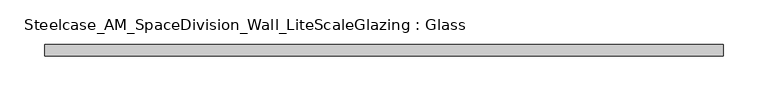
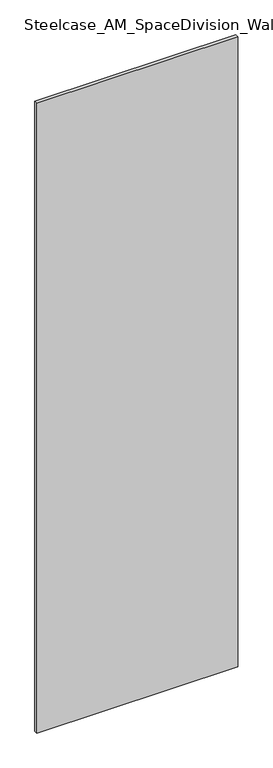
"""IFC4 building model written with IfcOpenShell, lengths in millimetres: plate geometry, Steelcase_AM_SpaceDivision_Wall_LiteScaleGlazing : Glass."""

from ifc_helpers import new_model, si_unit, origin, origin_with_axes, place, context, project, spatial, polyline, outline, extrude, source, transform, mapped, element, save


def steelcase_am_spacedivision_wall_litescaleglazing_glass_a400409b(model_context):
    return source(origin(), model_context, "Body", "SweptSolid", [
        extrude(outline(polyline([(-378.968, 6.349956), (378.968, 6.349956), (378.968, -6.3502015), (-378.968, -6.3502015), (-378.968, 6.349956)])), origin_with_axes(), (0.0, 0.0, 1.0), 2513.584),
    ])


if __name__ == "__main__":
    model = new_model("IFC4")
    model_context = context("Model", 3, world=origin())
    ifc_project = project(units=[si_unit("LENGTHUNIT", "METRE", prefix="MILLI")], contexts=[model_context])
    site = spatial("IfcSite", under=ifc_project)
    building = spatial("IfcBuilding", under=site)
    placement = place(None, origin())
    steelcase_am_spacedivision_wall_litescaleglazing_glass_shape = steelcase_am_spacedivision_wall_litescaleglazing_glass_a400409b(model_context)
    element("IfcPlate", 1, ObjectType="Steelcase_AM_SpaceDivision_Wall_LiteScaleGlazing : Glass", at=placement, inside=building, context=model_context, shape_type="MappedRepresentation", body=[
        mapped(steelcase_am_spacedivision_wall_litescaleglazing_glass_shape, transform((0.0, 0.0, 0.0), x_axis=(1.0, 0.0, 0.0), y_axis=(0.0, 1.0, 0.0), z_axis=(0.0, 0.0, 1.0))),
    ])
    save(model, "model.ifc")
